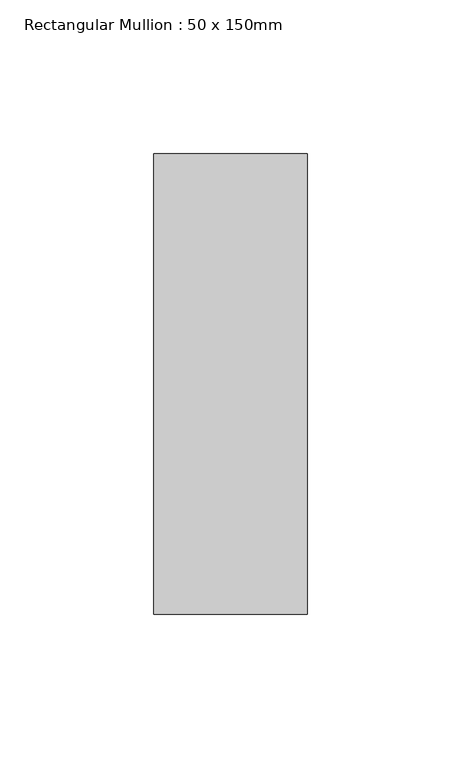
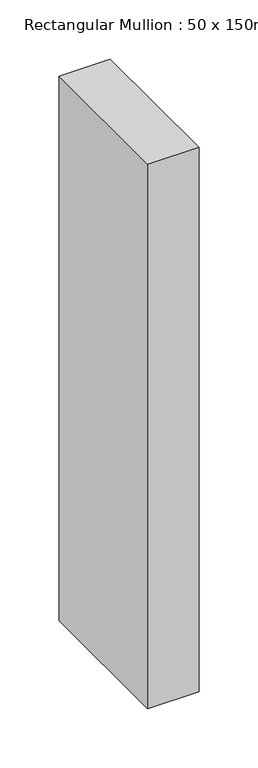
"""IFC4 building model written with IfcOpenShell, lengths in millimetres: member geometry, Rectangular Mullion : 50 x 150mm."""

from ifc_helpers import new_model, si_unit, frame, origin, place, context, project, spatial, polyline, outline, extrude, source, transform, mapped, element, save


def rectangular_mullion_50_x_150mm_19e89db2(model_context):
    return source(origin(), model_context, "Body", "SweptSolid", [
        extrude(outline(polyline([(0.0, 75.0), (0.0, -75.0), (-50.0, -75.0), (-50.0, 75.0), (0.0, 75.0)])), frame((0.0, 0.0, -561.6483936), z_axis=(0.0, 0.0, 1.0), x_axis=(1.0, 0.0, 0.0)), (0.0, 0.0, 1.0), 561.6483936),
    ])


if __name__ == "__main__":
    model = new_model("IFC4")
    model_context = context("Model", 3, world=origin())
    ifc_project = project(units=[si_unit("LENGTHUNIT", "METRE", prefix="MILLI")], contexts=[model_context])
    site = spatial("IfcSite", under=ifc_project)
    building = spatial("IfcBuilding", under=site)
    placement = place(None, origin())
    rectangular_mullion_50_x_150mm_shape = rectangular_mullion_50_x_150mm_19e89db2(model_context)
    element("IfcMember", 1, ObjectType="Rectangular Mullion : 50 x 150mm", at=placement, inside=building, context=model_context, shape_type="MappedRepresentation", body=[
        mapped(rectangular_mullion_50_x_150mm_shape, transform((0.0, 0.0, 0.0), x_axis=(1.0, 0.0, 0.0), y_axis=(0.0, 1.0, 0.0), z_axis=(0.0, 0.0, 1.0))),
    ])
    save(model, "model.ifc")
